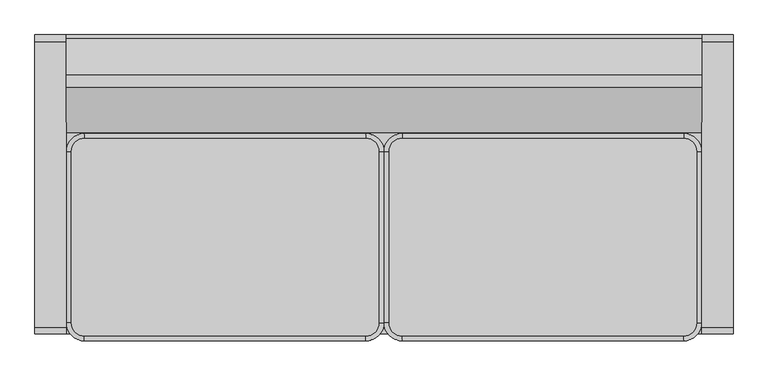
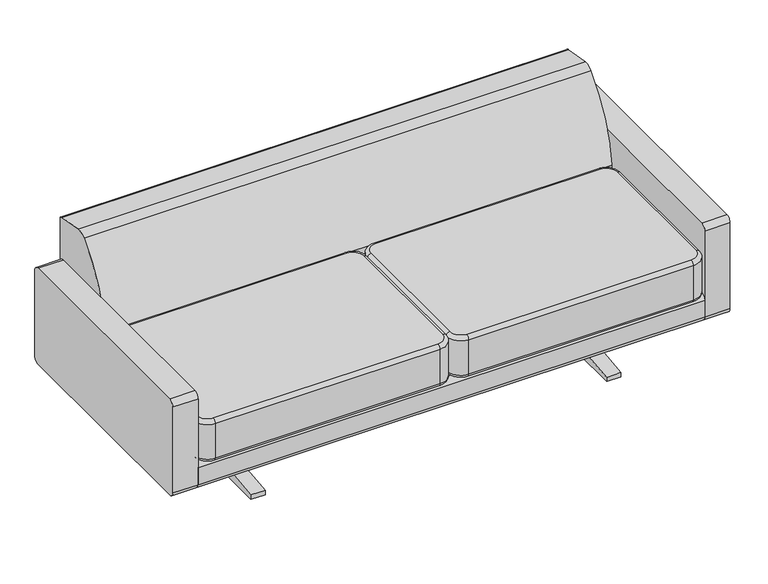
"""IFC4 building model written with IfcOpenShell, lengths in millimetres: furniture geometry."""

from ifc_helpers import new_model, si_unit, point, frame, frame_2d, origin, place, context, project, spatial, polyline, circle_curve, ellipse_curve, trimmed, segment, composite_curve, outline, extrude, source, transform, mapped, element, save
from ifc_brep_helpers import plane_surface, cylinder_surface, revolved_surface, advanced_brep


def furniture_4bfd31d9(model_context):
    return source(origin(), model_context, "Body", "SolidModel", [
        advanced_brep(
        [(501.65, 153.1137584, 291.1992435), (450.85, 102.3137584, 291.1992435), (450.85, 102.3137584, 419.864682), (501.65, 153.1137584, 419.864682), (501.65, 140.4137584, 278.4992435), (463.55, 102.3137584, 278.4992435), (463.55, 102.3137584, 432.564682), (501.65, 140.4137584, 432.564682), (1295.4, 153.1137584, 419.864682), (1295.4, 153.1137584, 291.1992435), (1295.4, 140.4137584, 278.4992435), (1295.4, 140.4137584, 432.564682), (1346.2, 102.3137584, 419.864682), (1346.2, 102.3137584, 291.1992435), (1333.5, 102.3137584, 278.4992435), (1333.5, 102.3137584, 432.564682), (1346.2, -381.0, 419.864682), (1346.2, -381.0, 291.1992435), (1333.5, -381.0, 278.4992435), (1333.5, -381.0, 432.564682), (1295.4, -431.8, 419.864682), (1295.4, -431.8, 291.1992435), (1295.4, -419.1, 278.4992435), (1295.4, -419.1, 432.564682), (501.65, -431.8, 419.864682), (501.65, -431.8, 291.1992435), (501.65, -419.1, 278.4992435), (501.65, -419.1, 432.564682), (450.85, -381.0, 419.864682), (450.85, -381.0, 291.1992435), (463.55, -381.0, 278.4992435), (463.55, -381.0, 432.564682)],
        [
            (0, 1, circle_curve(frame((501.65, 102.3137584, 291.1992435), z_axis=(0.0, 0.0, 1.0), x_axis=(-1.0, 0.0, 0.0)), 50.8)),
            (1, 2),
            (2, 3, circle_curve(frame((501.65, 102.3137584, 419.864682), z_axis=(0.0, 0.0, -1.0), x_axis=(-1.0, 0.0, 0.0)), 50.8)),
            (3, 0),
            (0, 4, circle_curve(frame((501.65, 140.4137584, 291.1992435), z_axis=(-1.0, 0.0, 0.0), x_axis=(0.0, 1.0, 0.0)), 12.7)),
            (4, 5, circle_curve(frame((501.65, 102.3137584, 278.4992435), z_axis=(0.0, 0.0, 1.0), x_axis=(-1.0, 0.0, 0.0)), 38.1)),
            (5, 1, circle_curve(frame((463.55, 102.3137584, 291.1992435), z_axis=(0.0, 1.0, 0.0), x_axis=(-1.0, 0.0, 0.0)), 12.7)),
            (2, 6, circle_curve(frame((463.55, 102.3137584, 419.864682), z_axis=(0.0, 1.0, 0.0), x_axis=(-1.0, 0.0, 0.0)), 12.7)),
            (6, 7, circle_curve(frame((501.65, 102.3137584, 432.564682), z_axis=(0.0, 0.0, -1.0), x_axis=(-1.0, 0.0, 0.0)), 38.1)),
            (7, 3, circle_curve(frame((501.65, 140.4137584, 419.864682), z_axis=(-1.0, 0.0, 0.0), x_axis=(0.0, 1.0, 0.0)), 12.7)),
            (3, 8),
            (8, 9),
            (9, 0),
            (9, 10, circle_curve(frame((1295.4, 140.4137584, 291.1992435), z_axis=(-1.0, 0.0, 0.0), x_axis=(0.0, 1.0, 0.0)), 12.7)),
            (10, 4),
            (7, 11),
            (11, 8, circle_curve(frame((1295.4, 140.4137584, 419.864682), z_axis=(-1.0, 0.0, 0.0), x_axis=(0.0, 1.0, 0.0)), 12.7)),
            (8, 12, circle_curve(frame((1295.4, 102.3137584, 419.864682), z_axis=(0.0, 0.0, -1.0), x_axis=(0.0, 1.0, 0.0)), 50.8)),
            (12, 13),
            (13, 9, circle_curve(frame((1295.4, 102.3137584, 291.1992435), z_axis=(0.0, 0.0, 1.0), x_axis=(0.0, 1.0, 0.0)), 50.8)),
            (13, 14, circle_curve(frame((1333.5, 102.3137584, 291.1992435), z_axis=(0.0, 1.0, 0.0), x_axis=(1.0, 0.0, 0.0)), 12.7)),
            (14, 10, circle_curve(frame((1295.4, 102.3137584, 278.4992435), z_axis=(0.0, 0.0, 1.0), x_axis=(0.0, 1.0, 0.0)), 38.1)),
            (11, 15, circle_curve(frame((1295.4, 102.3137584, 432.564682), z_axis=(0.0, 0.0, -1.0), x_axis=(0.0, 1.0, 0.0)), 38.1)),
            (15, 12, circle_curve(frame((1333.5, 102.3137584, 419.864682), z_axis=(0.0, 1.0, 0.0), x_axis=(1.0, 0.0, 0.0)), 12.7)),
            (12, 16),
            (16, 17),
            (17, 13),
            (17, 18, circle_curve(frame((1333.5, -381.0, 291.1992435), z_axis=(0.0, 1.0, 0.0), x_axis=(1.0, 0.0, 0.0)), 12.7)),
            (18, 14),
            (15, 19),
            (19, 16, circle_curve(frame((1333.5, -381.0, 419.864682), z_axis=(0.0, 1.0, 0.0), x_axis=(1.0, 0.0, 0.0)), 12.7)),
            (16, 20, circle_curve(frame((1295.4, -381.0, 419.864682), z_axis=(0.0, 0.0, -1.0), x_axis=(1.0, 0.0, 0.0)), 50.8)),
            (20, 21),
            (21, 17, circle_curve(frame((1295.4, -381.0, 291.1992435), z_axis=(0.0, 0.0, 1.0), x_axis=(1.0, 0.0, 0.0)), 50.8)),
            (21, 22, circle_curve(frame((1295.4, -419.1, 291.1992435), z_axis=(1.0, 0.0, 0.0), x_axis=(0.0, -1.0, 0.0)), 12.7)),
            (22, 18, circle_curve(frame((1295.4, -381.0, 278.4992435), z_axis=(0.0, 0.0, 1.0), x_axis=(1.0, 0.0, 0.0)), 38.1)),
            (19, 23, circle_curve(frame((1295.4, -381.0, 432.564682), z_axis=(0.0, 0.0, -1.0), x_axis=(1.0, 0.0, 0.0)), 38.1)),
            (23, 20, circle_curve(frame((1295.4, -419.1, 419.864682), z_axis=(1.0, 0.0, 0.0), x_axis=(0.0, -1.0, 0.0)), 12.7)),
            (20, 24),
            (24, 25),
            (25, 21),
            (25, 26, circle_curve(frame((501.65, -419.1, 291.1992435), z_axis=(1.0, 0.0, 0.0), x_axis=(0.0, -1.0, 0.0)), 12.7)),
            (26, 22),
            (23, 27),
            (27, 24, circle_curve(frame((501.65, -419.1, 419.864682), z_axis=(1.0, 0.0, 0.0), x_axis=(0.0, -1.0, 0.0)), 12.7)),
            (24, 28, circle_curve(frame((501.65, -381.0, 419.864682), z_axis=(0.0, 0.0, -1.0), x_axis=(0.0, -1.0, 0.0)), 50.8)),
            (28, 29),
            (29, 25, circle_curve(frame((501.65, -381.0, 291.1992435), z_axis=(0.0, 0.0, 1.0), x_axis=(0.0, -1.0, 0.0)), 50.8)),
            (29, 30, circle_curve(frame((463.55, -381.0, 291.1992435), z_axis=(0.0, -1.0, 0.0), x_axis=(-1.0, 0.0, 0.0)), 12.7)),
            (30, 26, circle_curve(frame((501.65, -381.0, 278.4992435), z_axis=(0.0, 0.0, 1.0), x_axis=(0.0, -1.0, 0.0)), 38.1)),
            (27, 31, circle_curve(frame((501.65, -381.0, 432.564682), z_axis=(0.0, 0.0, -1.0), x_axis=(0.0, -1.0, 0.0)), 38.1)),
            (31, 28, circle_curve(frame((463.55, -381.0, 419.864682), z_axis=(0.0, -1.0, 0.0), x_axis=(-1.0, 0.0, 0.0)), 12.7)),
            (1, 29),
            (28, 2),
            (5, 30),
            (31, 6),
        ],
        [
            cylinder_surface(frame((501.65, 102.3137584, 432.564682), z_axis=(0.0, 0.0, -1.0), x_axis=(-1.0, 0.0, 0.0)), 50.8),
            revolved_surface(trimmed(ellipse_curve(frame((463.55, 102.3137584, 291.1992435), z_axis=(0.0, -1.0, 0.0), x_axis=(-1.0, 0.0, 0.0)), 12.7, 12.7), [point((450.85, 102.3137584, 291.1992435))], [point((463.55, 102.3137584, 278.4992435))], True, "CARTESIAN"), (501.65, 102.3137584, 432.564682), (0.0, 0.0, -1.0)),
            revolved_surface(trimmed(ellipse_curve(frame((463.55, 102.3137584, 419.864682), z_axis=(0.0, -1.0, 0.0), x_axis=(-1.0, 0.0, 0.0)), 12.7, 12.7), [point((463.55, 102.3137584, 432.564682))], [point((450.85, 102.3137584, 419.864682))], True, "CARTESIAN"), (501.65, 102.3137584, 432.564682), (0.0, 0.0, -1.0)),
            plane_surface(frame((501.65, 153.1137584, 419.864682), z_axis=(0.0, 1.0, 0.0), x_axis=(1.0, 0.0, 0.0))),
            cylinder_surface(frame((501.65, 140.4137584, 291.1992435), z_axis=(-1.0, 0.0, 0.0), x_axis=(0.0, 1.0, 0.0)), 12.7),
            cylinder_surface(frame((501.65, 140.4137584, 419.864682), z_axis=(-1.0, 0.0, 0.0), x_axis=(0.0, 1.0, 0.0)), 12.7),
            cylinder_surface(frame((1295.4, 102.3137584, 432.564682), z_axis=(0.0, 0.0, -1.0), x_axis=(0.0, 1.0, 0.0)), 50.8),
            revolved_surface(trimmed(ellipse_curve(frame((1295.4, 140.4137584, 291.1992435), z_axis=(-1.0, 0.0, 0.0), x_axis=(0.0, 1.0, 0.0)), 12.7, 12.7), [point((1295.4, 153.1137584, 291.1992435))], [point((1295.4, 140.4137584, 278.4992435))], True, "CARTESIAN"), (1295.4, 102.3137584, 432.564682), (0.0, 0.0, -1.0)),
            revolved_surface(trimmed(ellipse_curve(frame((1295.4, 140.4137584, 419.864682), z_axis=(-1.0, 0.0, 0.0), x_axis=(0.0, 1.0, 0.0)), 12.7, 12.7), [point((1295.4, 140.4137584, 432.564682))], [point((1295.4, 153.1137584, 419.864682))], True, "CARTESIAN"), (1295.4, 102.3137584, 432.564682), (0.0, 0.0, -1.0)),
            plane_surface(frame((1346.2, 102.3137584, 419.864682), z_axis=(1.0, 0.0, 0.0), x_axis=(0.0, -1.0, 0.0))),
            cylinder_surface(frame((1333.5, 102.3137584, 291.1992435), z_axis=(0.0, 1.0, 0.0), x_axis=(1.0, 0.0, 0.0)), 12.7),
            cylinder_surface(frame((1333.5, 102.3137584, 419.864682), z_axis=(0.0, 1.0, 0.0), x_axis=(1.0, 0.0, 0.0)), 12.7),
            cylinder_surface(frame((1295.4, -381.0, 432.564682), z_axis=(0.0, 0.0, -1.0), x_axis=(1.0, 0.0, 0.0)), 50.8),
            revolved_surface(trimmed(ellipse_curve(frame((1333.5, -381.0, 291.1992435), z_axis=(0.0, 1.0, 0.0), x_axis=(1.0, 0.0, 0.0)), 12.7, 12.7), [point((1346.2, -381.0, 291.1992435))], [point((1333.5, -381.0, 278.4992435))], True, "CARTESIAN"), (1295.4, -381.0, 432.564682), (0.0, 0.0, -1.0)),
            revolved_surface(trimmed(ellipse_curve(frame((1333.5, -381.0, 419.864682), z_axis=(0.0, 1.0, 0.0), x_axis=(1.0, 0.0, 0.0)), 12.7, 12.7), [point((1333.5, -381.0, 432.564682))], [point((1346.2, -381.0, 419.864682))], True, "CARTESIAN"), (1295.4, -381.0, 432.564682), (0.0, 0.0, -1.0)),
            plane_surface(frame((1295.4, -431.8, 419.864682), z_axis=(0.0, -1.0, 0.0), x_axis=(-1.0, 0.0, 0.0))),
            cylinder_surface(frame((1295.4, -419.1, 291.1992435), z_axis=(1.0, 0.0, 0.0), x_axis=(0.0, -1.0, 0.0)), 12.7),
            cylinder_surface(frame((1295.4, -419.1, 419.864682), z_axis=(1.0, 0.0, 0.0), x_axis=(0.0, -1.0, 0.0)), 12.7),
            cylinder_surface(frame((501.65, -381.0, 432.564682), z_axis=(0.0, 0.0, -1.0), x_axis=(0.0, -1.0, 0.0)), 50.8),
            revolved_surface(trimmed(ellipse_curve(frame((501.65, -419.1, 291.1992435), z_axis=(1.0, 0.0, 0.0), x_axis=(0.0, -1.0, 0.0)), 12.7, 12.7), [point((501.65, -431.8, 291.1992435))], [point((501.65, -419.1, 278.4992435))], True, "CARTESIAN"), (501.65, -381.0, 432.564682), (0.0, 0.0, -1.0)),
            revolved_surface(trimmed(ellipse_curve(frame((501.65, -419.1, 419.864682), z_axis=(1.0, 0.0, 0.0), x_axis=(0.0, -1.0, 0.0)), 12.7, 12.7), [point((501.65, -419.1, 432.564682))], [point((501.65, -431.8, 419.864682))], True, "CARTESIAN"), (501.65, -381.0, 432.564682), (0.0, 0.0, -1.0)),
            plane_surface(frame((450.85, -381.0, 419.864682), z_axis=(-1.0, 0.0, 0.0), x_axis=(0.0, 1.0, 0.0))),
            cylinder_surface(frame((463.55, -381.0, 291.1992435), z_axis=(0.0, -1.0, 0.0), x_axis=(-1.0, 0.0, 0.0)), 12.7),
            cylinder_surface(frame((463.55, -381.0, 419.864682), z_axis=(0.0, -1.0, 0.0), x_axis=(-1.0, 0.0, 0.0)), 12.7),
            plane_surface(frame((463.55, 102.3137584, 432.564682), z_axis=(0.0, 0.0, 1.0), x_axis=(0.0, -1.0, 0.0))),
            plane_surface(frame((463.55, 102.3137584, 278.4992435), z_axis=(0.0, 0.0, -1.0), x_axis=(0.0, 1.0, 0.0))),
        ],
        [
            (0, [[1, 2, 3, 4]]),
            (1, [[-1, 5, 6, 7]]),
            (2, [[-3, 8, 9, 10]]),
            (3, [[-4, 11, 12, 13]]),
            (4, [[-5, -13, 14, 15]]),
            (5, [[-10, 16, 17, -11]]),
            (6, [[-12, 18, 19, 20]]),
            (7, [[-14, -20, 21, 22]]),
            (8, [[-17, 23, 24, -18]]),
            (9, [[-19, 25, 26, 27]]),
            (10, [[-21, -27, 28, 29]]),
            (11, [[-24, 30, 31, -25]]),
            (12, [[-26, 32, 33, 34]]),
            (13, [[-28, -34, 35, 36]]),
            (14, [[-31, 37, 38, -32]]),
            (15, [[-33, 39, 40, 41]]),
            (16, [[-35, -41, 42, 43]]),
            (17, [[-38, 44, 45, -39]]),
            (18, [[-40, 46, 47, 48]]),
            (19, [[-42, -48, 49, 50]]),
            (20, [[-45, 51, 52, -46]]),
            (21, [[-2, 53, -47, 54]]),
            (22, [[-7, 55, -49, -53]]),
            (23, [[-8, -54, -52, 56]]),
            (24, [[-9, -56, -51, -44, -37, -30, -23, -16]]),
            (25, [[-6, -15, -22, -29, -36, -43, -50, -55]]),
        ],
    ),
        advanced_brep(
        [(-393.7, 153.1137584, 291.1992435), (-444.5, 102.3137584, 291.1992435), (-444.5, 102.3137584, 419.864682), (-393.7, 153.1137584, 419.864682), (-393.7, 140.4137584, 278.4992435), (-431.8, 102.3137584, 278.4992435), (-431.8, 102.3137584, 432.564682), (-393.7, 140.4137584, 432.564682), (400.05, 153.1137584, 419.864682), (400.05, 153.1137584, 291.1992435), (400.05, 140.4137584, 278.4992435), (400.05, 140.4137584, 432.564682), (450.85, 102.3137584, 419.864682), (450.85, 102.3137584, 291.1992435), (438.15, 102.3137584, 278.4992435), (438.15, 102.3137584, 432.564682), (450.85, -381.0, 419.864682), (450.85, -381.0, 291.1992435), (438.15, -381.0, 278.4992435), (438.15, -381.0, 432.564682), (400.05, -431.8, 419.864682), (400.05, -431.8, 291.1992435), (400.05, -419.1, 278.4992435), (400.05, -419.1, 432.564682), (-393.7, -431.8, 419.864682), (-393.7, -431.8, 291.1992435), (-393.7, -419.1, 278.4992435), (-393.7, -419.1, 432.564682), (-444.5, -381.0, 419.864682), (-444.5, -381.0, 291.1992435), (-431.8, -381.0, 278.4992435), (-431.8, -381.0, 432.564682)],
        [
            (0, 1, circle_curve(frame((-393.7, 102.3137584, 291.1992435), z_axis=(0.0, 0.0, 1.0), x_axis=(-1.0, 0.0, 0.0)), 50.8)),
            (1, 2),
            (2, 3, circle_curve(frame((-393.7, 102.3137584, 419.864682), z_axis=(0.0, 0.0, -1.0), x_axis=(-1.0, 0.0, 0.0)), 50.8)),
            (3, 0),
            (0, 4, circle_curve(frame((-393.7, 140.4137584, 291.1992435), z_axis=(-1.0, 0.0, 0.0), x_axis=(0.0, 1.0, 0.0)), 12.7)),
            (4, 5, circle_curve(frame((-393.7, 102.3137584, 278.4992435), z_axis=(0.0, 0.0, 1.0), x_axis=(-1.0, 0.0, 0.0)), 38.1)),
            (5, 1, circle_curve(frame((-431.8, 102.3137584, 291.1992435), z_axis=(0.0, 1.0, 0.0), x_axis=(-1.0, 0.0, 0.0)), 12.7)),
            (2, 6, circle_curve(frame((-431.8, 102.3137584, 419.864682), z_axis=(0.0, 1.0, 0.0), x_axis=(-1.0, 0.0, 0.0)), 12.7)),
            (6, 7, circle_curve(frame((-393.7, 102.3137584, 432.564682), z_axis=(0.0, 0.0, -1.0), x_axis=(-1.0, 0.0, 0.0)), 38.1)),
            (7, 3, circle_curve(frame((-393.7, 140.4137584, 419.864682), z_axis=(-1.0, 0.0, 0.0), x_axis=(0.0, 1.0, 0.0)), 12.7)),
            (3, 8),
            (8, 9),
            (9, 0),
            (9, 10, circle_curve(frame((400.05, 140.4137584, 291.1992435), z_axis=(-1.0, 0.0, 0.0), x_axis=(0.0, 1.0, 0.0)), 12.7)),
            (10, 4),
            (7, 11),
            (11, 8, circle_curve(frame((400.05, 140.4137584, 419.864682), z_axis=(-1.0, 0.0, 0.0), x_axis=(0.0, 1.0, 0.0)), 12.7)),
            (8, 12, circle_curve(frame((400.05, 102.3137584, 419.864682), z_axis=(0.0, 0.0, -1.0), x_axis=(0.0, 1.0, 0.0)), 50.8)),
            (12, 13),
            (13, 9, circle_curve(frame((400.05, 102.3137584, 291.1992435), z_axis=(0.0, 0.0, 1.0), x_axis=(0.0, 1.0, 0.0)), 50.8)),
            (13, 14, circle_curve(frame((438.15, 102.3137584, 291.1992435), z_axis=(0.0, 1.0, 0.0), x_axis=(1.0, 0.0, 0.0)), 12.7)),
            (14, 10, circle_curve(frame((400.05, 102.3137584, 278.4992435), z_axis=(0.0, 0.0, 1.0), x_axis=(0.0, 1.0, 0.0)), 38.1)),
            (11, 15, circle_curve(frame((400.05, 102.3137584, 432.564682), z_axis=(0.0, 0.0, -1.0), x_axis=(0.0, 1.0, 0.0)), 38.1)),
            (15, 12, circle_curve(frame((438.15, 102.3137584, 419.864682), z_axis=(0.0, 1.0, 0.0), x_axis=(1.0, 0.0, 0.0)), 12.7)),
            (12, 16),
            (16, 17),
            (17, 13),
            (17, 18, circle_curve(frame((438.15, -381.0, 291.1992435), z_axis=(0.0, 1.0, 0.0), x_axis=(1.0, 0.0, 0.0)), 12.7)),
            (18, 14),
            (15, 19),
            (19, 16, circle_curve(frame((438.15, -381.0, 419.864682), z_axis=(0.0, 1.0, 0.0), x_axis=(1.0, 0.0, 0.0)), 12.7)),
            (16, 20, circle_curve(frame((400.05, -381.0, 419.864682), z_axis=(0.0, 0.0, -1.0), x_axis=(1.0, 0.0, 0.0)), 50.8)),
            (20, 21),
            (21, 17, circle_curve(frame((400.05, -381.0, 291.1992435), z_axis=(0.0, 0.0, 1.0), x_axis=(1.0, 0.0, 0.0)), 50.8)),
            (21, 22, circle_curve(frame((400.05, -419.1, 291.1992435), z_axis=(1.0, 0.0, 0.0), x_axis=(0.0, -1.0, 0.0)), 12.7)),
            (22, 18, circle_curve(frame((400.05, -381.0, 278.4992435), z_axis=(0.0, 0.0, 1.0), x_axis=(1.0, 0.0, 0.0)), 38.1)),
            (19, 23, circle_curve(frame((400.05, -381.0, 432.564682), z_axis=(0.0, 0.0, -1.0), x_axis=(1.0, 0.0, 0.0)), 38.1)),
            (23, 20, circle_curve(frame((400.05, -419.1, 419.864682), z_axis=(1.0, 0.0, 0.0), x_axis=(0.0, -1.0, 0.0)), 12.7)),
            (20, 24),
            (24, 25),
            (25, 21),
            (25, 26, circle_curve(frame((-393.7, -419.1, 291.1992435), z_axis=(1.0, 0.0, 0.0), x_axis=(0.0, -1.0, 0.0)), 12.7)),
            (26, 22),
            (23, 27),
            (27, 24, circle_curve(frame((-393.7, -419.1, 419.864682), z_axis=(1.0, 0.0, 0.0), x_axis=(0.0, -1.0, 0.0)), 12.7)),
            (24, 28, circle_curve(frame((-393.7, -381.0, 419.864682), z_axis=(0.0, 0.0, -1.0), x_axis=(0.0, -1.0, 0.0)), 50.8)),
            (28, 29),
            (29, 25, circle_curve(frame((-393.7, -381.0, 291.1992435), z_axis=(0.0, 0.0, 1.0), x_axis=(0.0, -1.0, 0.0)), 50.8)),
            (29, 30, circle_curve(frame((-431.8, -381.0, 291.1992435), z_axis=(0.0, -1.0, 0.0), x_axis=(-1.0, 0.0, 0.0)), 12.7)),
            (30, 26, circle_curve(frame((-393.7, -381.0, 278.4992435), z_axis=(0.0, 0.0, 1.0), x_axis=(0.0, -1.0, 0.0)), 38.1)),
            (27, 31, circle_curve(frame((-393.7, -381.0, 432.564682), z_axis=(0.0, 0.0, -1.0), x_axis=(0.0, -1.0, 0.0)), 38.1)),
            (31, 28, circle_curve(frame((-431.8, -381.0, 419.864682), z_axis=(0.0, -1.0, 0.0), x_axis=(-1.0, 0.0, 0.0)), 12.7)),
            (1, 29),
            (28, 2),
            (5, 30),
            (31, 6),
        ],
        [
            cylinder_surface(frame((-393.7, 102.3137584, 432.564682), z_axis=(0.0, 0.0, -1.0), x_axis=(-1.0, 0.0, 0.0)), 50.8),
            revolved_surface(trimmed(ellipse_curve(frame((-431.8, 102.3137584, 291.1992435), z_axis=(0.0, -1.0, 0.0), x_axis=(-1.0, 0.0, 0.0)), 12.7, 12.7), [point((-444.5, 102.3137584, 291.1992435))], [point((-431.8, 102.3137584, 278.4992435))], True, "CARTESIAN"), (-393.7, 102.3137584, 432.564682), (0.0, 0.0, -1.0)),
            revolved_surface(trimmed(ellipse_curve(frame((-431.8, 102.3137584, 419.864682), z_axis=(0.0, -1.0, 0.0), x_axis=(-1.0, 0.0, 0.0)), 12.7, 12.7), [point((-431.8, 102.3137584, 432.564682))], [point((-444.5, 102.3137584, 419.864682))], True, "CARTESIAN"), (-393.7, 102.3137584, 432.564682), (0.0, 0.0, -1.0)),
            plane_surface(frame((-393.7, 153.1137584, 419.864682), z_axis=(0.0, 1.0, 0.0), x_axis=(1.0, 0.0, 0.0))),
            cylinder_surface(frame((-393.7, 140.4137584, 291.1992435), z_axis=(-1.0, 0.0, 0.0), x_axis=(0.0, 1.0, 0.0)), 12.7),
            cylinder_surface(frame((-393.7, 140.4137584, 419.864682), z_axis=(-1.0, 0.0, 0.0), x_axis=(0.0, 1.0, 0.0)), 12.7),
            cylinder_surface(frame((400.05, 102.3137584, 432.564682), z_axis=(0.0, 0.0, -1.0), x_axis=(0.0, 1.0, 0.0)), 50.8),
            revolved_surface(trimmed(ellipse_curve(frame((400.05, 140.4137584, 291.1992435), z_axis=(-1.0, 0.0, 0.0), x_axis=(0.0, 1.0, 0.0)), 12.7, 12.7), [point((400.05, 153.1137584, 291.1992435))], [point((400.05, 140.4137584, 278.4992435))], True, "CARTESIAN"), (400.05, 102.3137584, 432.564682), (0.0, 0.0, -1.0)),
            revolved_surface(trimmed(ellipse_curve(frame((400.05, 140.4137584, 419.864682), z_axis=(-1.0, 0.0, 0.0), x_axis=(0.0, 1.0, 0.0)), 12.7, 12.7), [point((400.05, 140.4137584, 432.564682))], [point((400.05, 153.1137584, 419.864682))], True, "CARTESIAN"), (400.05, 102.3137584, 432.564682), (0.0, 0.0, -1.0)),
            plane_surface(frame((450.85, 102.3137584, 419.864682), z_axis=(1.0, 0.0, 0.0), x_axis=(0.0, -1.0, 0.0))),
            cylinder_surface(frame((438.15, 102.3137584, 291.1992435), z_axis=(0.0, 1.0, 0.0), x_axis=(1.0, 0.0, 0.0)), 12.7),
            cylinder_surface(frame((438.15, 102.3137584, 419.864682), z_axis=(0.0, 1.0, 0.0), x_axis=(1.0, 0.0, 0.0)), 12.7),
            cylinder_surface(frame((400.05, -381.0, 432.564682), z_axis=(0.0, 0.0, -1.0), x_axis=(1.0, 0.0, 0.0)), 50.8),
            revolved_surface(trimmed(ellipse_curve(frame((438.15, -381.0, 291.1992435), z_axis=(0.0, 1.0, 0.0), x_axis=(1.0, 0.0, 0.0)), 12.7, 12.7), [point((450.85, -381.0, 291.1992435))], [point((438.15, -381.0, 278.4992435))], True, "CARTESIAN"), (400.05, -381.0, 432.564682), (0.0, 0.0, -1.0)),
            revolved_surface(trimmed(ellipse_curve(frame((438.15, -381.0, 419.864682), z_axis=(0.0, 1.0, 0.0), x_axis=(1.0, 0.0, 0.0)), 12.7, 12.7), [point((438.15, -381.0, 432.564682))], [point((450.85, -381.0, 419.864682))], True, "CARTESIAN"), (400.05, -381.0, 432.564682), (0.0, 0.0, -1.0)),
            plane_surface(frame((400.05, -431.8, 419.864682), z_axis=(0.0, -1.0, 0.0), x_axis=(-1.0, 0.0, 0.0))),
            cylinder_surface(frame((400.05, -419.1, 291.1992435), z_axis=(1.0, 0.0, 0.0), x_axis=(0.0, -1.0, 0.0)), 12.7),
            cylinder_surface(frame((400.05, -419.1, 419.864682), z_axis=(1.0, 0.0, 0.0), x_axis=(0.0, -1.0, 0.0)), 12.7),
            cylinder_surface(frame((-393.7, -381.0, 432.564682), z_axis=(0.0, 0.0, -1.0), x_axis=(0.0, -1.0, 0.0)), 50.8),
            revolved_surface(trimmed(ellipse_curve(frame((-393.7, -419.1, 291.1992435), z_axis=(1.0, 0.0, 0.0), x_axis=(0.0, -1.0, 0.0)), 12.7, 12.7), [point((-393.7, -431.8, 291.1992435))], [point((-393.7, -419.1, 278.4992435))], True, "CARTESIAN"), (-393.7, -381.0, 432.564682), (0.0, 0.0, -1.0)),
            revolved_surface(trimmed(ellipse_curve(frame((-393.7, -419.1, 419.864682), z_axis=(1.0, 0.0, 0.0), x_axis=(0.0, -1.0, 0.0)), 12.7, 12.7), [point((-393.7, -419.1, 432.564682))], [point((-393.7, -431.8, 419.864682))], True, "CARTESIAN"), (-393.7, -381.0, 432.564682), (0.0, 0.0, -1.0)),
            plane_surface(frame((-444.5, -381.0, 419.864682), z_axis=(-1.0, 0.0, 0.0), x_axis=(0.0, 1.0, 0.0))),
            cylinder_surface(frame((-431.8, -381.0, 291.1992435), z_axis=(0.0, -1.0, 0.0), x_axis=(-1.0, 0.0, 0.0)), 12.7),
            cylinder_surface(frame((-431.8, -381.0, 419.864682), z_axis=(0.0, -1.0, 0.0), x_axis=(-1.0, 0.0, 0.0)), 12.7),
            plane_surface(frame((-431.8, 102.3137584, 432.564682), z_axis=(0.0, 0.0, 1.0), x_axis=(0.0, -1.0, 0.0))),
            plane_surface(frame((-431.8, 102.3137584, 278.4992435), z_axis=(0.0, 0.0, -1.0), x_axis=(0.0, 1.0, 0.0))),
        ],
        [
            (0, [[1, 2, 3, 4]]),
            (1, [[-1, 5, 6, 7]]),
            (2, [[-3, 8, 9, 10]]),
            (3, [[-4, 11, 12, 13]]),
            (4, [[-5, -13, 14, 15]]),
            (5, [[-10, 16, 17, -11]]),
            (6, [[-12, 18, 19, 20]]),
            (7, [[-14, -20, 21, 22]]),
            (8, [[-17, 23, 24, -18]]),
            (9, [[-19, 25, 26, 27]]),
            (10, [[-21, -27, 28, 29]]),
            (11, [[-24, 30, 31, -25]]),
            (12, [[-26, 32, 33, 34]]),
            (13, [[-28, -34, 35, 36]]),
            (14, [[-31, 37, 38, -32]]),
            (15, [[-33, 39, 40, 41]]),
            (16, [[-35, -41, 42, 43]]),
            (17, [[-38, 44, 45, -39]]),
            (18, [[-40, 46, 47, 48]]),
            (19, [[-42, -48, 49, 50]]),
            (20, [[-45, 51, 52, -46]]),
            (21, [[-2, 53, -47, 54]]),
            (22, [[-7, 55, -49, -53]]),
            (23, [[-8, -54, -52, 56]]),
            (24, [[-9, -56, -51, -44, -37, -30, -23, -16]]),
            (25, [[-6, -15, -22, -29, -36, -43, -50, -55]]),
        ],
    ),
        extrude(outline(composite_curve([segment(polyline([(393.1969754, 0.0), (38.1, 0.0), (-316.9969754, 0.0), (-316.9969754, 16.2401822), (-83.5204743, 42.7918602)]), True, "CONTINUOUS"), segment(trimmed(circle_curve(frame_2d((-83.5204743, 71.7339548)), 28.9420946), [point((-83.5204743, 42.7918602))], [point((-54.5783797, 71.7339548))], True, "CARTESIAN"), True, "CONTINUOUS"), segment(polyline([(-54.5783797, 71.7339548), (-54.5783797, 136.8214548)]), True, "CONTINUOUS"), segment(trimmed(circle_curve(frame_2d((-83.5204743, 136.8214548)), 28.9420946), [point((-54.5783797, 136.8214548))], [point((-83.5204743, 165.7635494))], True, "CARTESIAN"), True, "CONTINUOUS"), segment(polyline([(-83.5204743, 165.7635494), (-133.399025, 165.7635494), (-133.399025, 178.564682), (-30.0000311, 178.564682), (-30.0000311, 70.7911959)]), True, "CONTINUOUS"), segment(trimmed(circle_curve(frame_2d((-1.0732953, 71.7339548)), 28.9420946), [point((-30.0000311, 70.7911959))], [point((-1.0732953, 42.7918602))], True, "CARTESIAN"), True, "CONTINUOUS"), segment(polyline([(-1.0732953, 42.7918602), (38.1, 42.7918602), (77.2732953, 42.7918602)]), True, "CONTINUOUS"), segment(trimmed(circle_curve(frame_2d((77.2732953, 71.7339548)), 28.9420946), [point((77.2732953, 42.7918602))], [point((106.2000311, 70.7911959))], True, "CARTESIAN"), True, "CONTINUOUS"), segment(polyline([(106.2000311, 70.7911959), (106.2000311, 178.564682), (209.599025, 178.564682), (209.599025, 165.7635494), (159.7204743, 165.7635494)]), True, "CONTINUOUS"), segment(trimmed(circle_curve(frame_2d((159.7204743, 136.8214548)), 28.9420946), [point((159.7204743, 165.7635494))], [point((130.7783797, 136.8214548))], True, "CARTESIAN"), True, "CONTINUOUS"), segment(polyline([(130.7783797, 136.8214548), (130.7783797, 71.7339548)]), True, "CONTINUOUS"), segment(trimmed(circle_curve(frame_2d((159.7204743, 71.7339548)), 28.9420946), [point((130.7783797, 71.7339548))], [point((159.7204743, 42.7918602))], True, "CARTESIAN"), True, "CONTINUOUS"), segment(polyline([(159.7204743, 42.7918602), (393.1969754, 16.2401822), (393.1969754, 0.0)]), True, "CONTINUOUS")], self_intersect=False)), frame((-203.2, 0.0, 0.0), z_axis=(1.0, 0.0, 0.0), x_axis=(0.0, 1.0, 0.0)), (0.0, 0.0, 1.0), 50.8),
        extrude(outline(composite_curve([segment(polyline([(393.1969754, 0.0), (38.1, 0.0), (-316.9969754, 0.0), (-316.9969754, 16.2401822), (-83.5204743, 42.7918602)]), True, "CONTINUOUS"), segment(trimmed(circle_curve(frame_2d((-83.5204743, 71.7339548)), 28.9420946), [point((-83.5204743, 42.7918602))], [point((-54.5783797, 71.7339548))], True, "CARTESIAN"), True, "CONTINUOUS"), segment(polyline([(-54.5783797, 71.7339548), (-54.5783797, 136.8214548)]), True, "CONTINUOUS"), segment(trimmed(circle_curve(frame_2d((-83.5204743, 136.8214548)), 28.9420946), [point((-54.5783797, 136.8214548))], [point((-83.5204743, 165.7635494))], True, "CARTESIAN"), True, "CONTINUOUS"), segment(polyline([(-83.5204743, 165.7635494), (-133.399025, 165.7635494), (-133.399025, 178.564682), (-30.0000311, 178.564682), (-30.0000311, 70.7911959)]), True, "CONTINUOUS"), segment(trimmed(circle_curve(frame_2d((-1.0732953, 71.7339548)), 28.9420946), [point((-30.0000311, 70.7911959))], [point((-1.0732953, 42.7918602))], True, "CARTESIAN"), True, "CONTINUOUS"), segment(polyline([(-1.0732953, 42.7918602), (38.1, 42.7918602), (77.2732953, 42.7918602)]), True, "CONTINUOUS"), segment(trimmed(circle_curve(frame_2d((77.2732953, 71.7339548)), 28.9420946), [point((77.2732953, 42.7918602))], [point((106.2000311, 70.7911959))], True, "CARTESIAN"), True, "CONTINUOUS"), segment(polyline([(106.2000311, 70.7911959), (106.2000311, 178.564682), (209.599025, 178.564682), (209.599025, 165.7635494), (159.7204743, 165.7635494)]), True, "CONTINUOUS"), segment(trimmed(circle_curve(frame_2d((159.7204743, 136.8214548)), 28.9420946), [point((159.7204743, 165.7635494))], [point((130.7783797, 136.8214548))], True, "CARTESIAN"), True, "CONTINUOUS"), segment(polyline([(130.7783797, 136.8214548), (130.7783797, 71.7339548)]), True, "CONTINUOUS"), segment(trimmed(circle_curve(frame_2d((159.7204743, 71.7339548)), 28.9420946), [point((130.7783797, 71.7339548))], [point((159.7204743, 42.7918602))], True, "CARTESIAN"), True, "CONTINUOUS"), segment(polyline([(159.7204743, 42.7918602), (393.1969754, 16.2401822), (393.1969754, 0.0)]), True, "CONTINUOUS")], self_intersect=False)), frame((1054.1, 0.0, 0.0), z_axis=(1.0, 0.0, 0.0), x_axis=(0.0, 1.0, 0.0)), (0.0, 0.0, 1.0), 50.8),
        extrude(outline(composite_curve([segment(polyline([(431.8, 278.4992435), (204.8844187, 278.4992435)]), True, "CONTINUOUS"), segment(trimmed(circle_curve(frame_2d((204.8844187, 330.9070425)), 52.4077991), [point((204.8844187, 278.4992435))], [point((155.6371966, 312.9825196))], False, "CARTESIAN"), True, "CONTINUOUS"), segment(trimmed(circle_curve(frame_2d((711.2495727, 366.9575196)), 558.2279222), [point((155.6371966, 312.9825196))], [point((155.6371966, 420.9325196))], False, "CARTESIAN"), True, "CONTINUOUS"), segment(trimmed(circle_curve(frame_2d((608.6040303, 376.9801204)), 455.0942384), [point((155.6371966, 420.9325196))], [point((284.4512428, 696.4104511))], False, "CARTESIAN"), True, "CONTINUOUS"), segment(trimmed(circle_curve(frame_2d((315.2580629, 666.0524437)), 43.2512286), [point((284.4512428, 696.4104511))], [point((319.2980572, 709.1145758))], False, "CARTESIAN"), True, "CONTINUOUS"), segment(trimmed(circle_curve(frame_2d((259.3151568, 69.7593349)), 642.1628083), [point((319.2980572, 709.1145758))], [point((421.8764201, 691.0055888))], False, "CARTESIAN"), True, "CONTINUOUS"), segment(trimmed(circle_curve(frame_2d((421.8764201, 681.0820089)), 9.9235799), [point((421.8764201, 691.0055888))], [point((431.8, 681.0820089))], False, "CARTESIAN"), True, "CONTINUOUS"), segment(polyline([(431.8, 681.0820089), (431.8, 278.4992435)]), True, "CONTINUOUS")], self_intersect=False)), frame((-444.5, 0.0, 0.0), z_axis=(1.0, 0.0, 0.0), x_axis=(0.0, 1.0, 0.0)), (0.0, 0.0, 1.0), 1790.7),
        extrude(outline(composite_curve([segment(polyline([(-393.4719322, 278.4992435), (431.8, 278.4992435), (431.8, 197.614682)]), True, "CONTINUOUS"), segment(trimmed(circle_curve(frame_2d((412.75, 197.614682)), 19.05), [point((431.8, 197.614682))], [point((412.75, 178.564682))], False, "CARTESIAN"), True, "CONTINUOUS"), segment(polyline([(412.75, 178.564682), (-393.4719322, 178.564682)]), True, "CONTINUOUS"), segment(trimmed(circle_curve(frame_2d((-393.4719322, 197.614682)), 19.05), [point((-393.4719322, 178.564682))], [point((-412.5219322, 197.614682))], False, "CARTESIAN"), True, "CONTINUOUS"), segment(polyline([(-412.5219322, 197.614682), (-412.5219322, 259.4492435)]), True, "CONTINUOUS"), segment(trimmed(circle_curve(frame_2d((-393.4719322, 259.4492435)), 19.05), [point((-412.5219322, 259.4492435))], [point((-393.4719322, 278.4992435))], False, "CARTESIAN"), True, "CONTINUOUS")], self_intersect=False)), frame((-444.5, 0.0, 0.0), z_axis=(1.0, 0.0, 0.0), x_axis=(0.0, 1.0, 0.0)), (0.0, 0.0, 1.0), 1790.7),
        extrude(outline(composite_curve([segment(polyline([(431.8, 518.5600991), (431.8, 197.614682)]), True, "CONTINUOUS"), segment(trimmed(circle_curve(frame_2d((412.75, 197.614682)), 19.05), [point((431.8, 197.614682))], [point((412.75, 178.564682))], False, "CARTESIAN"), True, "CONTINUOUS"), segment(polyline([(412.75, 178.564682), (-393.4719322, 178.564682)]), True, "CONTINUOUS"), segment(trimmed(circle_curve(frame_2d((-393.4719322, 197.614682)), 19.05), [point((-393.4719322, 178.564682))], [point((-412.5219322, 197.614682))], False, "CARTESIAN"), True, "CONTINUOUS"), segment(polyline([(-412.5219322, 197.614682), (-412.5219322, 518.5600991)]), True, "CONTINUOUS"), segment(trimmed(circle_curve(frame_2d((-393.4719322, 518.5600991)), 19.05), [point((-412.5219322, 518.5600991))], [point((-393.4719322, 537.6100991))], False, "CARTESIAN"), True, "CONTINUOUS"), segment(polyline([(-393.4719322, 537.6100991), (412.75, 537.6100991)]), True, "CONTINUOUS"), segment(trimmed(circle_curve(frame_2d((412.75, 518.5600991)), 19.05), [point((412.75, 537.6100991))], [point((431.8, 518.5600991))], False, "CARTESIAN"), True, "CONTINUOUS")], self_intersect=False)), frame((1346.2, 0.0, 0.0), z_axis=(1.0, 0.0, 0.0), x_axis=(0.0, 1.0, 0.0)), (0.0, 0.0, 1.0), 88.9),
        extrude(outline(composite_curve([segment(polyline([(431.8, 518.5600991), (431.8, 197.614682)]), True, "CONTINUOUS"), segment(trimmed(circle_curve(frame_2d((412.75, 197.614682)), 19.05), [point((431.8, 197.614682))], [point((412.75, 178.564682))], False, "CARTESIAN"), True, "CONTINUOUS"), segment(polyline([(412.75, 178.564682), (-393.4719322, 178.564682)]), True, "CONTINUOUS"), segment(trimmed(circle_curve(frame_2d((-393.4719322, 197.614682)), 19.05), [point((-393.4719322, 178.564682))], [point((-412.5219322, 197.614682))], False, "CARTESIAN"), True, "CONTINUOUS"), segment(polyline([(-412.5219322, 197.614682), (-412.5219322, 518.5600991)]), True, "CONTINUOUS"), segment(trimmed(circle_curve(frame_2d((-393.4719322, 518.5600991)), 19.05), [point((-412.5219322, 518.5600991))], [point((-393.4719322, 537.6100991))], False, "CARTESIAN"), True, "CONTINUOUS"), segment(polyline([(-393.4719322, 537.6100991), (412.75, 537.6100991)]), True, "CONTINUOUS"), segment(trimmed(circle_curve(frame_2d((412.75, 518.5600991)), 19.05), [point((412.75, 537.6100991))], [point((431.8, 518.5600991))], False, "CARTESIAN"), True, "CONTINUOUS")], self_intersect=False)), frame((-533.4, 0.0, 0.0), z_axis=(1.0, 0.0, 0.0), x_axis=(0.0, 1.0, 0.0)), (0.0, 0.0, 1.0), 88.9),
    ])


if __name__ == "__main__":
    model = new_model("IFC4")
    model_context = context("Model", 3, world=origin())
    ifc_project = project(units=[si_unit("LENGTHUNIT", "METRE", prefix="MILLI")], contexts=[model_context])
    site = spatial("IfcSite", under=ifc_project)
    building = spatial("IfcBuilding", under=site)
    placement = place(None, origin())
    furniture_shape = furniture_4bfd31d9(model_context)
    element("IfcFurniture", 1, at=placement, inside=building, context=model_context, shape_type="MappedRepresentation", body=[
        mapped(furniture_shape, transform((0.0, 0.0, 0.0), x_axis=(1.0, 0.0, 0.0), y_axis=(0.0, 1.0, 0.0), z_axis=(0.0, 0.0, 1.0))),
    ])
    save(model, "model.ifc")
